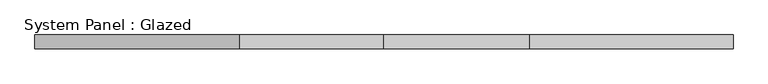
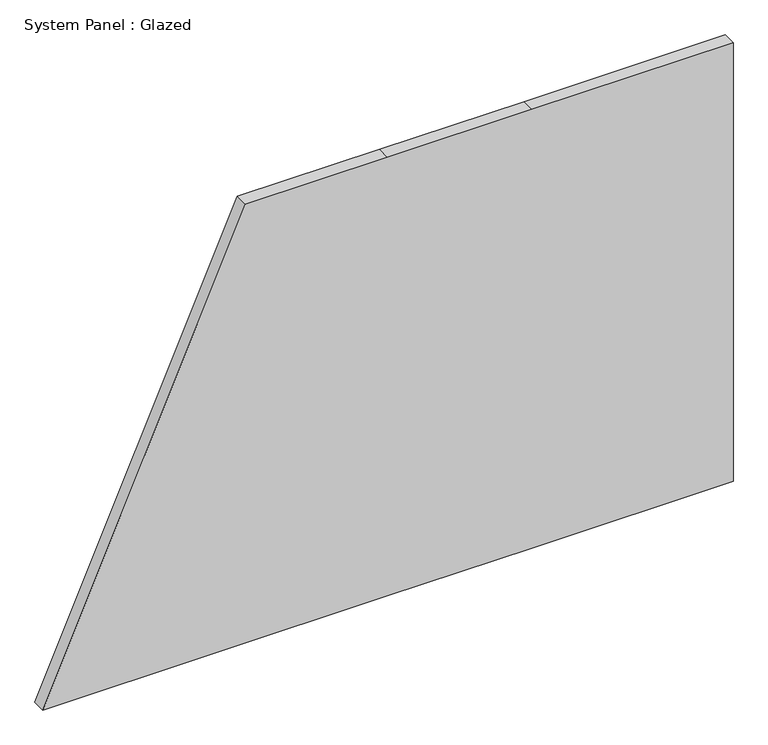
"""IFC4 building model written with IfcOpenShell, lengths in millimetres: plate geometry, System Panel : Glazed."""

from ifc_helpers import new_model, si_unit, point, frame, frame_2d, origin, place, context, project, spatial, polyline, circle_curve, trimmed, segment, composite_curve, outline, extrude, source, transform, mapped, element, save


def system_panel_glazed_6f574dba(model_context):
    return source(origin(), model_context, "Body", "SweptSolid", [
        extrude(outline(composite_curve([segment(polyline([(0.0, -632.5737637), (0.0, -0.8443276), (0.0, 263.8002523), (0.0, 632.5737637), (850.0, 632.5737637), (850.0, 263.8002523), (850.0, -0.8443276), (850.0, -261.3124749)]), True, "CONTINUOUS"), segment(trimmed(circle_curve(frame_2d((-2376.8533559, 5967.8796053)), 7015.3700225), [point((850.0, -261.3124749))], [point((0.0, -632.5737637))], False, "CARTESIAN"), True, "CONTINUOUS")], self_intersect=False)), frame((0.0, 24.5, 0.0), z_axis=(0.0, 1.0, 0.0), x_axis=(0.0, 0.0, 1.0)), (0.0, 0.0, 1.0), 25.0),
    ])


if __name__ == "__main__":
    model = new_model("IFC4")
    model_context = context("Model", 3, world=origin())
    ifc_project = project(units=[si_unit("LENGTHUNIT", "METRE", prefix="MILLI")], contexts=[model_context])
    site = spatial("IfcSite", under=ifc_project)
    building = spatial("IfcBuilding", under=site)
    placement = place(None, origin())
    system_panel_glazed_shape = system_panel_glazed_6f574dba(model_context)
    element("IfcPlate", 1, ObjectType="System Panel : Glazed", at=placement, inside=building, context=model_context, shape_type="MappedRepresentation", body=[
        mapped(system_panel_glazed_shape, transform((0.0, 0.0, 0.0), x_axis=(1.0, 0.0, 0.0), y_axis=(0.0, 1.0, 0.0), z_axis=(0.0, 0.0, 1.0))),
    ])
    save(model, "model.ifc")
